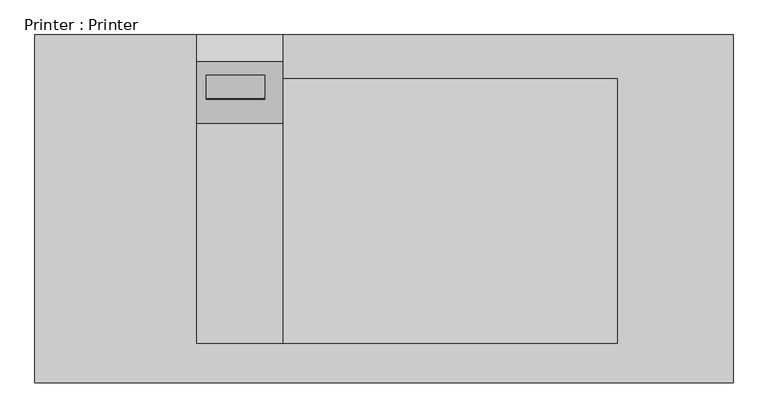
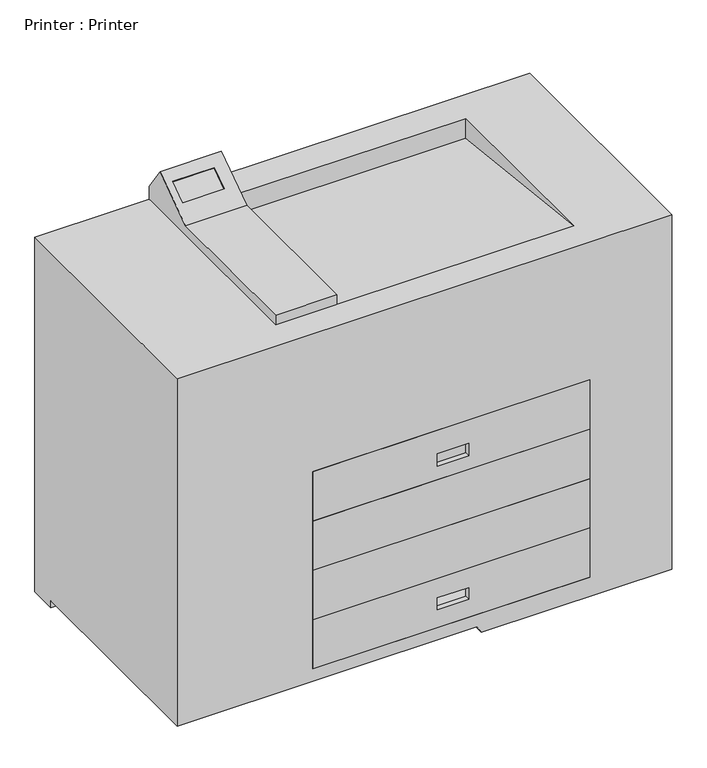
"""IFC4 building model written with IfcOpenShell, lengths in millimetres: furniture geometry, Printer : Printer."""

from ifc_helpers import new_model, si_unit, frame, origin, place, context, project, spatial, polyline, outline, extrude, faceted_brep, source, transform, mapped, element, save


def printer_printer_8b6a7dfc(model_context):
    return source(origin(), model_context, "Body", "SolidModel", [
        extrude(outline(polyline([(563.6857998, -312.0923931), (-112.9834216, -312.0923931), (-112.9834216, -299.3923931), (563.6857998, -299.3923931), (563.6857998, -312.0923931)])), frame((0.0, 0.0, 304.1399455), z_axis=(0.0, 0.0, 1.0), x_axis=(1.0, 0.0, 0.0)), (0.0, 0.0, 1.0), 127.0),
        faceted_brep([(-14.586375, 289.2802448, 913.4350838), (-14.586375, 289.2802448, 948.6741868), (-14.586375, 243.7650459, 1013.6766273), (-14.586375, 136.8802448, 938.8350838), (-14.586375, -244.1197552, 938.8350838), (-14.586375, -244.1197552, 913.4350838), (-163.7212063, 289.2802448, 913.4350838), (-163.7212063, -244.1197552, 913.4350838), (-163.7212063, -244.1197552, 938.8350838), (-163.7212063, 136.8802448, 938.8350838), (-163.7212063, 243.7650459, 1013.6766273), (-163.7212063, 289.2802448, 948.6741868), (-147.1407894, 219.6778629, 996.8106001), (-45.5407894, 219.6778629, 996.8106001), (-45.5407894, 178.064939, 967.6729172), (-147.1407894, 178.064939, 967.6729172), (-45.5407894, 221.4989681, 994.2097924), (-147.1407894, 221.4989681, 994.2097924), (-147.1407894, 179.8860442, 965.0721094), (-45.5407894, 179.8860442, 965.0721094)], [[[0, 1, 2, 3, 4, 5]], [[6, 7, 8, 9, 10, 11]], [[1, 0, 6, 11]], [[2, 1, 11, 10]], [[3, 2, 10, 9], [12, 13, 14, 15]], [[4, 3, 9, 8]], [[5, 4, 8, 7]], [[0, 5, 7, 6]], [[16, 17, 18, 19]], [[17, 16, 13, 12]], [[18, 17, 12, 15]], [[19, 18, 15, 14]], [[16, 19, 14, 13]]]),
        extrude(outline(polyline([(563.6857998, -312.0923931), (-112.9834216, -312.0923931), (-112.9834216, -299.3923931), (563.6857998, -299.3923931), (563.6857998, -312.0923931)])), frame((0.0, 0.0, 177.1399455), z_axis=(0.0, 0.0, 1.0), x_axis=(1.0, 0.0, 0.0)), (0.0, 0.0, 1.0), 127.0),
        extrude(outline(polyline([(50.1399455, 563.6857998), (558.8, 563.6857998), (558.8, -112.9834216), (50.1399455, -112.9834216), (50.1399455, 563.6857998)]), holes=[polyline([(381.0, 191.8787937), (381.0, 268.0787937), (351.0695629, 268.0787937), (351.0695629, 191.8787937), (381.0, 191.8787937)]), polyline([(498.1918193, 191.8787937), (498.1918193, 268.0787937), (466.410987, 268.0787937), (466.410987, 191.8787937), (498.1918193, 191.8787937)]), polyline([(126.3399455, 191.8787937), (126.3399455, 268.0787937), (96.4095085, 268.0787937), (96.4095085, 191.8787937), (126.3399455, 191.8787937)]), polyline([(243.5317649, 191.8787937), (243.5317649, 268.0787937), (211.7509325, 268.0787937), (211.7509325, 191.8787937), (243.5317649, 191.8787937)])]), frame((0.0, -312.0923931, 0.0), z_axis=(0.0, 1.0, 0.0), x_axis=(0.0, 0.0, 1.0)), (0.0, 0.0, 1.0), 12.7),
        faceted_brep([(764.044968, 289.2802448, 914.4), (-443.1212063, 289.2802448, 914.4), (-443.1212063, -312.0923931, 914.4), (764.044968, -312.0923931, 914.4), (563.6857998, 213.0802448, 914.4), (563.6857998, -244.1197552, 914.4), (-14.586375, -244.1197552, 914.4), (-14.586375, 213.0802448, 914.4), (764.044968, 289.2802448, 0.0), (764.044968, -312.0923931, 0.0), (298.5145683, -312.0923931, 0.0), (298.5145683, 221.3076069, 0.0), (-399.7606941, 221.3076069, 0.0), (-443.1212063, 221.3076069, 0.0), (-443.1212063, 289.2802448, 0.0), (-443.1212063, 221.3076069, 17.9605122), (-443.1212063, -312.0923931, 17.9605122), (288.1450617, -312.0923931, 17.9605122), (-112.9834216, -312.0923931, 304.1399455), (563.6857998, -312.0923931, 304.1399455), (563.6857998, -312.0923931, 50.1399455), (-112.9834216, -312.0923931, 50.1399455), (191.8787937, -312.0923931, 381.0), (268.0787937, -312.0923931, 381.0), (268.0787937, -312.0923931, 351.0695629), (191.8787937, -312.0923931, 351.0695629), (191.8787937, -312.0923931, 498.1918193), (268.0787937, -312.0923931, 498.1918193), (268.0787937, -312.0923931, 466.410987), (191.8787937, -312.0923931, 466.410987), (563.6857998, 213.0802448, 863.6), (-14.586375, 213.0802448, 863.6), (288.1450617, 221.3076069, 17.9605122), (563.6857998, -7.2923931, 304.1399455), (-112.9834216, -7.2923931, 304.1399455), (-112.9834216, -7.2923931, 50.1399455), (563.6857998, -7.2923931, 50.1399455), (191.8787937, -299.3923931, 381.0), (268.0787937, -299.3923931, 381.0), (191.8787937, -299.3923931, 351.0695629), (268.0787937, -299.3923931, 351.0695629), (191.8787937, -299.3923931, 498.1918193), (268.0787937, -299.3923931, 498.1918193), (191.8787937, -299.3923931, 466.410987), (268.0787937, -299.3923931, 466.410987)], [[[0, 1, 2, 3], [4, 5, 6, 7]], [[8, 9, 10, 11, 12, 13, 14]], [[1, 0, 8, 14]], [[2, 1, 14, 13, 15, 16]], [[3, 2, 16, 17, 10, 9], [18, 19, 20, 21], [22, 23, 24, 25], [26, 27, 28, 29]], [[0, 3, 9, 8]], [[30, 5, 4]], [[31, 7, 6]], [[30, 4, 7, 31]], [[5, 30, 31, 6]], [[32, 11, 10, 17]], [[32, 17, 16, 15]], [[33, 34, 35, 36]], [[34, 33, 19, 18]], [[35, 34, 18, 21]], [[36, 35, 21, 20]], [[33, 36, 20, 19]], [[37, 38, 23, 22]], [[39, 37, 22, 25]], [[40, 39, 25, 24]], [[38, 40, 24, 23]], [[41, 42, 27, 26]], [[43, 41, 26, 29]], [[44, 43, 29, 28]], [[42, 44, 28, 27]], [[11, 32, 15, 13, 12]], [[38, 37, 39, 40]], [[42, 41, 43, 44]]]),
    ])


if __name__ == "__main__":
    model = new_model("IFC4")
    model_context = context("Model", 3, world=origin())
    ifc_project = project(units=[si_unit("LENGTHUNIT", "METRE", prefix="MILLI")], contexts=[model_context])
    site = spatial("IfcSite", under=ifc_project)
    building = spatial("IfcBuilding", under=site)
    placement = place(None, origin())
    printer_printer_shape = printer_printer_8b6a7dfc(model_context)
    element("IfcFurniture", 1, ObjectType="Printer : Printer", at=placement, inside=building, context=model_context, shape_type="MappedRepresentation", body=[
        mapped(printer_printer_shape, transform((0.0, 0.0, 0.0), x_axis=(1.0, 0.0, 0.0), y_axis=(0.0, 1.0, 0.0), z_axis=(0.0, 0.0, 1.0))),
    ])
    save(model, "model.ifc")
